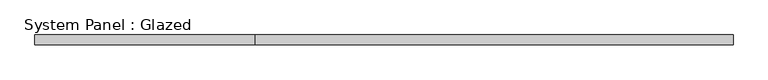
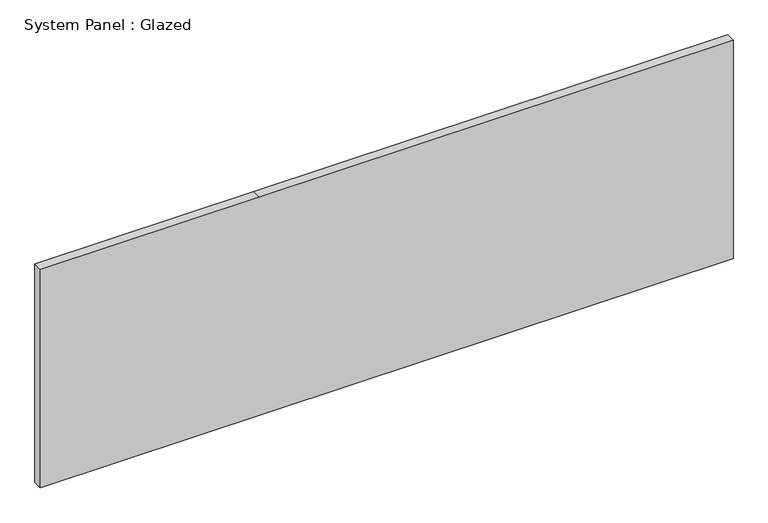
"""IFC4 building model written with IfcOpenShell, lengths in millimetres: plate geometry, System Panel : Glazed."""

from ifc_helpers import new_model, si_unit, frame, origin, place, context, project, spatial, polyline, outline, extrude, source, transform, mapped, element, save


def system_panel_glazed_f528eade(model_context):
    return source(origin(), model_context, "Body", "SweptSolid", [
        extrude(outline(polyline([(0.0, -914.4), (0.0, 914.4), (609.6, 914.4), (609.6, -337.1111586), (609.6, -914.4), (0.0, -914.4)])), frame((0.0, 19.05, 0.0), z_axis=(0.0, 1.0, 0.0), x_axis=(0.0, 0.0, 1.0)), (0.0, 0.0, 1.0), 25.4),
    ])


if __name__ == "__main__":
    model = new_model("IFC4")
    model_context = context("Model", 3, world=origin())
    ifc_project = project(units=[si_unit("LENGTHUNIT", "METRE", prefix="MILLI")], contexts=[model_context])
    site = spatial("IfcSite", under=ifc_project)
    building = spatial("IfcBuilding", under=site)
    placement = place(None, origin())
    system_panel_glazed_shape = system_panel_glazed_f528eade(model_context)
    element("IfcPlate", 1, ObjectType="System Panel : Glazed", at=placement, inside=building, context=model_context, shape_type="MappedRepresentation", body=[
        mapped(system_panel_glazed_shape, transform((0.0, 0.0, 0.0), x_axis=(1.0, 0.0, 0.0), y_axis=(0.0, 1.0, 0.0), z_axis=(0.0, 0.0, 1.0))),
    ])
    save(model, "model.ifc")
